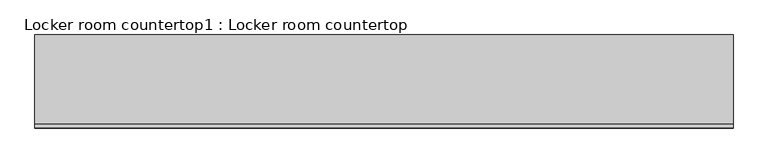
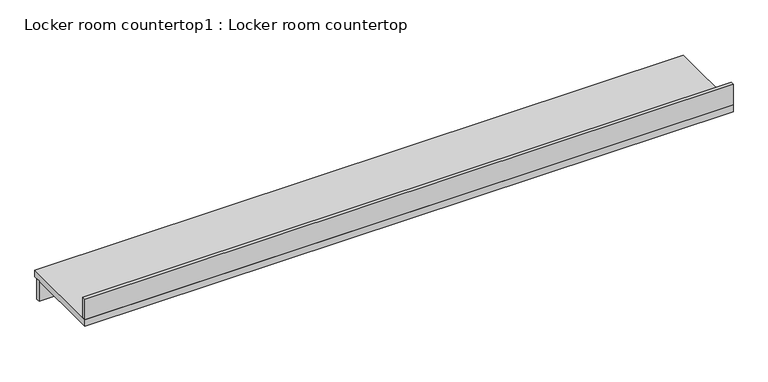
"""IFC4 building model written with IfcOpenShell, lengths in millimetres: furniture geometry, Locker room countertop1 : Locker room countertop."""

from ifc_helpers import new_model, si_unit, frame, origin, place, context, project, spatial, polyline, outline, extrude, source, transform, mapped, element, save


def locker_room_countertop1_locker_room_countertop_eff8632c(model_context):
    return source(origin(), model_context, "Body", "SweptSolid", [
        extrude(outline(polyline([(308844.7379676, -258388.6580223), (313416.7379676, -258388.6580223), (313416.7379676, -258414.0580223), (308844.7379676, -258414.0580223), (308844.7379676, -258388.6580223)])), frame((0.0, 0.0, 660.4), z_axis=(0.0, 0.0, 1.0), x_axis=(1.0, 0.0, 0.0)), (0.0, 0.0, 1.0), 152.4),
        extrude(outline(polyline([(313416.7379676, -258947.4580223), (313416.7379676, -258972.8580223), (308844.7379676, -258972.8580223), (308844.7379676, -258947.4580223), (313416.7379676, -258947.4580223)])), frame((0.0, 0.0, 863.6), z_axis=(0.0, 0.0, 1.0), x_axis=(1.0, 0.0, 0.0)), (0.0, 0.0, 1.0), 152.4),
        extrude(outline(polyline([(313416.7379676, -258363.2580223), (313416.7379676, -258972.8580223), (308844.7379676, -258972.8580223), (308844.7379676, -258363.2580223), (313416.7379676, -258363.2580223)])), frame((0.0, 0.0, 812.8), z_axis=(0.0, 0.0, 1.0), x_axis=(1.0, 0.0, 0.0)), (0.0, 0.0, 1.0), 50.8),
    ])


if __name__ == "__main__":
    model = new_model("IFC4")
    model_context = context("Model", 3, world=origin())
    ifc_project = project(units=[si_unit("LENGTHUNIT", "METRE", prefix="MILLI")], contexts=[model_context])
    site = spatial("IfcSite", under=ifc_project)
    building = spatial("IfcBuilding", under=site)
    placement = place(None, origin())
    locker_room_countertop1_locker_room_countertop_shape = locker_room_countertop1_locker_room_countertop_eff8632c(model_context)
    element("IfcFurniture", 1, ObjectType="Locker room countertop1 : Locker room countertop", at=placement, inside=building, context=model_context, shape_type="MappedRepresentation", body=[
        mapped(locker_room_countertop1_locker_room_countertop_shape, transform((0.0, 0.0, 0.0), x_axis=(1.0, 0.0, 0.0), y_axis=(0.0, 1.0, 0.0), z_axis=(0.0, 0.0, 1.0))),
    ])
    save(model, "model.ifc")
